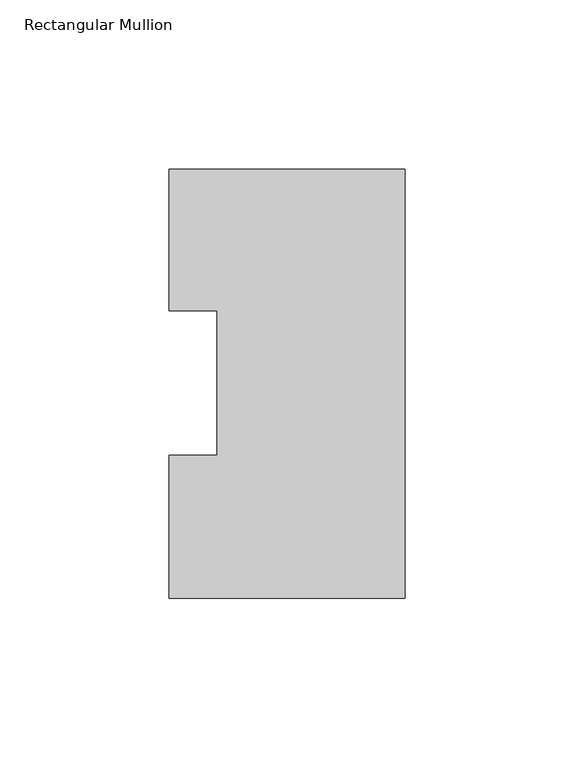
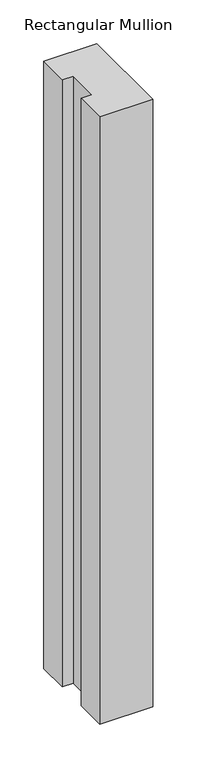
"""IFC4 building model written with IfcOpenShell, lengths in millimetres: member geometry, Rectangular Mullion."""

from ifc_helpers import new_model, si_unit, frame, origin, place, context, project, spatial, polyline, outline, extrude, source, transform, mapped, element, save


def rectangular_mullion_523f2e99(model_context):
    return source(origin(), model_context, "Body", "SweptSolid", [
        extrude(outline(polyline([(0.0, 126.79045), (0.0, -0.20955), (-69.85, -0.20955), (-69.85, 42.08145), (-55.5625, 42.08145), (-55.5625, 84.93125), (-69.85, 84.93125), (-69.85, 126.79045), (0.0, 126.79045)])), frame((0.0, 0.0, -844.55), z_axis=(0.0, 0.0, 1.0), x_axis=(1.0, 0.0, 0.0)), (0.0, 0.0, 1.0), 844.55),
    ])


if __name__ == "__main__":
    model = new_model("IFC4")
    model_context = context("Model", 3, world=origin())
    ifc_project = project(units=[si_unit("LENGTHUNIT", "METRE", prefix="MILLI")], contexts=[model_context])
    site = spatial("IfcSite", under=ifc_project)
    building = spatial("IfcBuilding", under=site)
    placement = place(None, origin())
    rectangular_mullion_shape = rectangular_mullion_523f2e99(model_context)
    element("IfcMember", 1, ObjectType="Rectangular Mullion", at=placement, inside=building, context=model_context, shape_type="MappedRepresentation", body=[
        mapped(rectangular_mullion_shape, transform((0.0, 0.0, 0.0), x_axis=(1.0, 0.0, 0.0), y_axis=(0.0, 1.0, 0.0), z_axis=(0.0, 0.0, 1.0))),
    ])
    save(model, "model.ifc")
